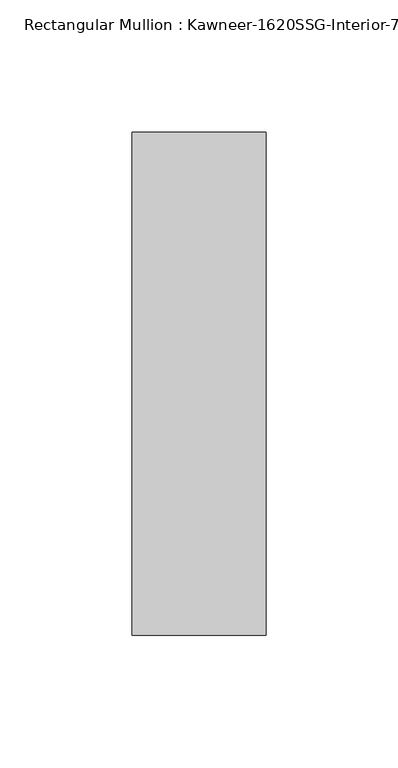
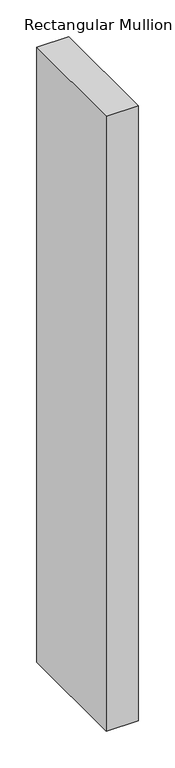
"""IFC4 building model written with IfcOpenShell, lengths in millimetres: member geometry."""

from ifc_helpers import new_model, si_unit, frame, origin, place, context, project, spatial, polyline, outline, extrude, source, transform, mapped, element, save


def member_dca7c56f(model_context):
    return source(origin(), model_context, "Body", "SweptSolid", [
        extrude(outline(polyline([(25.4, -152.4), (-25.4, -152.4), (-25.4, 38.1), (25.4, 38.1), (25.4, -152.4)])), frame((0.0, 0.0, -1028.7), z_axis=(0.0, 0.0, 1.0), x_axis=(1.0, 0.0, 0.0)), (0.0, 0.0, 1.0), 1028.7),
    ])


if __name__ == "__main__":
    model = new_model("IFC4")
    model_context = context("Model", 3, world=origin())
    ifc_project = project(units=[si_unit("LENGTHUNIT", "METRE", prefix="MILLI")], contexts=[model_context])
    site = spatial("IfcSite", under=ifc_project)
    building = spatial("IfcBuilding", under=site)
    placement = place(None, origin())
    member_shape = member_dca7c56f(model_context)
    element("IfcMember", 1, ObjectType="Rectangular Mullion : Kawneer-1620SSG-Interior-7.5\"-1\"Infill", at=placement, inside=building, context=model_context, shape_type="MappedRepresentation", body=[
        mapped(member_shape, transform((0.0, 0.0, 0.0), x_axis=(1.0, 0.0, 0.0), y_axis=(0.0, 1.0, 0.0), z_axis=(0.0, 0.0, 1.0))),
    ])
    save(model, "model.ifc")
